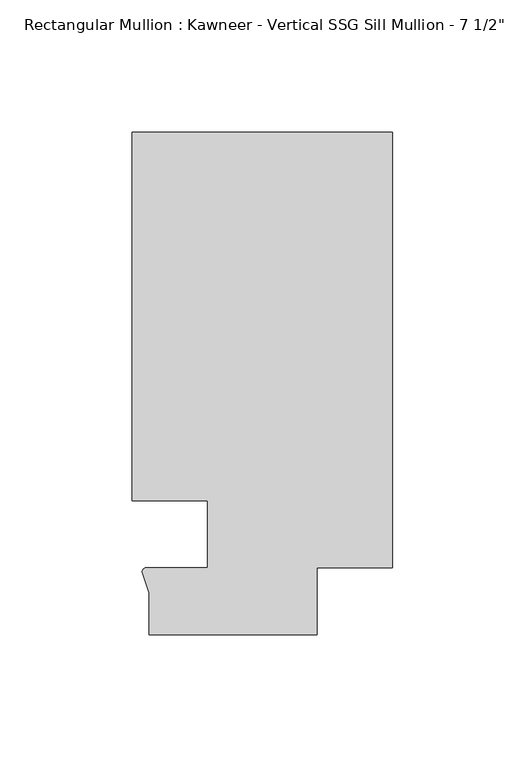
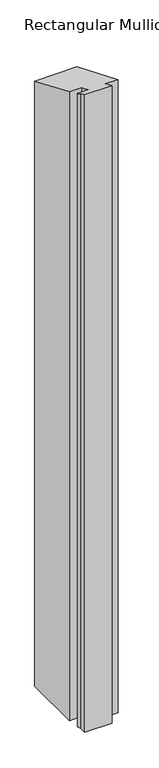
"""IFC4 building model written with IfcOpenShell, lengths in millimetres: member geometry."""

from ifc_helpers import new_model, si_unit, frame, origin, place, context, project, spatial, circle_curve, ellipse_curve, source, transform, mapped, element, save
from ifc_brep_helpers import plane_surface, cylinder_surface, advanced_brep


def member_0903b542(model_context):
    return source(origin(), model_context, "Body", "AdvancedBrep", [
        advanced_brep(
        [(-69.85, 12.7, -1547.9814708), (-98.425, 12.7, -1547.9814708), (-98.425, 151.892, -1547.9814708), (0.0, 151.892, -1547.9814708), (0.0, -12.7, -1547.9814708), (-28.575, -12.7, -1547.9814708), (-28.575, -38.1, -1547.9814708), (-92.075, -38.1, -1547.9814708), (-92.075, -22.2250977, -1547.9814708), (-94.7258552, -14.2884292, -1547.9814708), (-93.1091288, -12.700061, -1547.9814708), (-69.85, -12.700061, -1547.9814708), (-69.85, -12.700061, 5.2605375), (-69.85, 12.7, -5.2605122), (-93.1091288, -12.700061, 5.2605375), (-94.7258552, -14.2884292, 5.9184612), (-92.075, -22.2250977, 9.2059369), (-92.075, -38.1, 15.7815367), (-28.575, -38.1, 15.7815367), (-28.575, -12.7, 5.2605122), (0.0, -12.7, 5.2605122), (0.0, 151.892, -62.9157264), (-98.425, 151.892, -62.9157264), (-98.425, 12.7, -5.2605122)],
        [
            (0, 1),
            (1, 2),
            (2, 3),
            (3, 4),
            (4, 5),
            (5, 6),
            (6, 7),
            (7, 8),
            (8, 9),
            (9, 10, circle_curve(frame((-93.0262373, -14.401412, -1547.9814708), z_axis=(0.0, 0.0, -1.0), x_axis=(-0.04866327869705179, 0.9988152408260765, 0.0)), 1.703369)),
            (10, 11),
            (11, 0),
            (12, 13),
            (13, 0),
            (11, 12),
            (14, 12),
            (10, 14),
            (15, 14, ellipse_curve(frame((-93.0262373, -14.401412, 5.9652602), z_axis=(0.0, -0.3826834323650881, -0.9238795325112875), x_axis=(0.0, -0.9238795325112876, 0.3826834323650878)), 1.8437134, 1.703369)),
            (9, 15),
            (16, 15),
            (8, 16),
            (17, 16),
            (7, 17),
            (18, 17),
            (6, 18),
            (19, 18),
            (5, 19),
            (20, 19),
            (4, 20),
            (21, 20),
            (3, 21),
            (22, 21),
            (2, 22),
            (23, 22),
            (1, 23),
            (13, 23),
        ],
        [
            plane_surface(frame((0.0, -180.9935366, -1547.9814708), z_axis=(0.0, 0.0, -1.0), x_axis=(-1.0, 0.0, 0.0))),
            plane_surface(frame((-69.85, 12.7, 0.0), z_axis=(-1.0, 0.0, 0.0), x_axis=(0.0, 0.0, -1.0))),
            plane_surface(frame((-69.85, -12.700061, 0.0), z_axis=(0.0, 1.0, 0.0), x_axis=(0.0, 0.0, -1.0))),
            cylinder_surface(frame((-93.0262373, -14.401412, 0.0), z_axis=(0.0, 0.0, 1.0000000000000002), x_axis=(-0.04866327869705179, 0.9988152408260765, 0.0)), 1.703369),
            plane_surface(frame((-94.7258552, -14.2884292, 0.0), z_axis=(-0.9484931443165878, -0.3167976565324192, 0.0), x_axis=(0.0, 0.0, -1.0))),
            plane_surface(frame((-92.075, -22.2250977, 0.0), z_axis=(-1.0, 0.0, 0.0), x_axis=(0.0, 0.0, -1.0))),
            plane_surface(frame((-92.075, -38.1, 0.0), z_axis=(0.0, -1.0, 0.0), x_axis=(0.0, 0.0, -1.0))),
            plane_surface(frame((-28.575, -38.1, 0.0), z_axis=(1.0, 0.0, 0.0), x_axis=(0.0, 0.0, -1.0))),
            plane_surface(frame((-28.575, -12.7, 0.0), z_axis=(0.0, -1.0, 0.0), x_axis=(0.0, 0.0, -1.0))),
            plane_surface(frame((0.0, -12.7, 0.0), z_axis=(1.0, 0.0, 0.0), x_axis=(0.0, 0.0, -1.0))),
            plane_surface(frame((0.0, 151.892, 0.0), z_axis=(0.0, 1.0, 0.0), x_axis=(0.0, 0.0, -1.0))),
            plane_surface(frame((-98.425, 151.892, 0.0), z_axis=(-1.0, 0.0, 0.0), x_axis=(0.0, 0.0, -1.0))),
            plane_surface(frame((-98.425, 12.7, 0.0), z_axis=(0.0, -1.0, 0.0), x_axis=(0.0, 0.0, -1.0))),
            plane_surface(frame((-304.8, 0.0, 0.0), z_axis=(0.0, 0.3826834323650881, 0.9238795325112875), x_axis=(0.0, 0.9238795325112875, -0.3826834323650881))),
        ],
        [
            (0, [[1, 2, 3, 4, 5, 6, 7, 8, 9, 10, 11, 12]]),
            (1, [[13, 14, -12, 15]]),
            (2, [[16, -15, -11, 17]]),
            (3, [[18, -17, -10, 19]]),
            (4, [[20, -19, -9, 21]]),
            (5, [[22, -21, -8, 23]]),
            (6, [[24, -23, -7, 25]]),
            (7, [[26, -25, -6, 27]]),
            (8, [[28, -27, -5, 29]]),
            (9, [[30, -29, -4, 31]]),
            (10, [[32, -31, -3, 33]]),
            (11, [[34, -33, -2, 35]]),
            (12, [[36, -35, -1, -14]]),
            (13, [[-13, -16, -18, -20, -22, -24, -26, -28, -30, -32, -34, -36]]),
        ],
    ),
    ])


if __name__ == "__main__":
    model = new_model("IFC4")
    model_context = context("Model", 3, world=origin())
    ifc_project = project(units=[si_unit("LENGTHUNIT", "METRE", prefix="MILLI")], contexts=[model_context])
    site = spatial("IfcSite", under=ifc_project)
    building = spatial("IfcBuilding", under=site)
    placement = place(None, origin())
    member_shape = member_0903b542(model_context)
    element("IfcMember", 1, ObjectType="Rectangular Mullion : Kawneer - Vertical SSG Sill Mullion - 7 1/2\"", at=placement, inside=building, context=model_context, shape_type="MappedRepresentation", body=[
        mapped(member_shape, transform((0.0, 0.0, 0.0), x_axis=(1.0, 0.0, 0.0), y_axis=(0.0, 1.0, 0.0), z_axis=(0.0, 0.0, 1.0))),
    ])
    save(model, "model.ifc")
